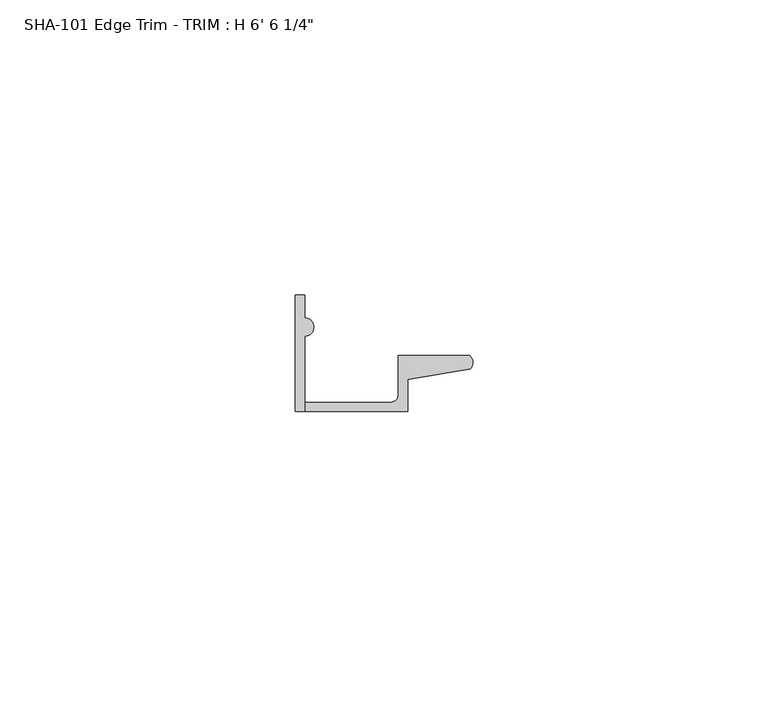
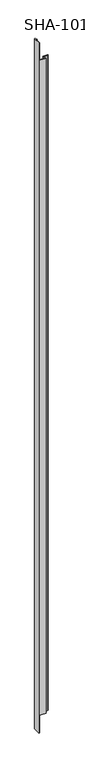
"""IFC4 building model written with IfcOpenShell, lengths in millimetres: proxy geometry."""

from ifc_helpers import new_model, si_unit, frame, origin, place, context, project, spatial, polyline, circle_curve, source, transform, mapped, element, save
from ifc_brep_helpers import plane_surface, cylinder_surface, revolved_surface, advanced_brep


def proxy_e3178697(model_context):
    return source(origin(), model_context, "Body", "AdvancedBrep", [
        advanced_brep(
        [(0.0, 0.0, 1987.55), (1.5748, 0.0, 1987.55), (1.5748, 12.7127, 1987.55), (1.5748, 15.8623, 1987.55), (1.5748, 19.7327081, 1987.55), (0.0, 19.7327081, 1987.55), (1.5748, 0.0, 0.0), (0.0, 0.0, 0.0), (0.0, 19.7327081, 0.0), (1.5748, 19.7327081, 0.0), (1.5748, 15.8623, 0.0), (1.5748, 12.7127, 0.0), (1.5748, 0.0, 50.8), (19.0246, 0.0, 50.8), (19.0246, 0.0, 1936.75), (1.5748, 0.0, 1936.75), (19.0246, 5.392657, 50.8), (19.0246, 5.392657, 1936.75), (29.6006869, 7.2036308, 50.8), (29.6006869, 7.2036308, 1936.75), (29.5346031, 9.525, 50.8), (29.5346031, 9.525, 1936.75), (17.4498, 9.525, 50.8), (17.4498, 9.525, 1936.75), (17.4498, 2.8448, 50.8), (17.4498, 2.8448, 1936.75), (16.1798, 1.5748, 50.8), (16.1798, 1.5748, 1936.75), (1.5748, 1.5748, 50.8), (1.5748, 1.5748, 1936.75)],
        [
            (0, 1),
            (1, 2),
            (2, 3, circle_curve(frame((1.5748, 14.2875, 1987.55), z_axis=(0.0, 0.0, 1.0), x_axis=(0.0, 1.0, 0.0)), 1.5748)),
            (3, 4),
            (4, 5),
            (5, 0),
            (6, 7),
            (7, 8),
            (8, 9),
            (9, 10),
            (10, 11, circle_curve(frame((1.5748, 14.2875, 0.0), z_axis=(0.0, 0.0, -1.0), x_axis=(0.0, 1.0, 0.0)), 1.5748)),
            (11, 6),
            (2, 11),
            (10, 3),
            (9, 4),
            (8, 5),
            (7, 0),
            (6, 12),
            (12, 13),
            (13, 14),
            (14, 15),
            (15, 1),
            (13, 16),
            (16, 17),
            (17, 14),
            (16, 18),
            (18, 19),
            (19, 17),
            (18, 20, circle_curve(frame((28.4438454, 8.3323235, 50.8), z_axis=(0.0, 0.0, 1.0), x_axis=(0.0, 1.0, 0.0)), 1.6162393)),
            (20, 21),
            (21, 19, circle_curve(frame((28.4438454, 8.3323235, 1936.75), z_axis=(0.0, 0.0, -1.0), x_axis=(0.0, 1.0, 0.0)), 1.6162393)),
            (20, 22),
            (22, 23),
            (23, 21),
            (22, 24),
            (24, 25),
            (25, 23),
            (24, 26, circle_curve(frame((16.1798, 2.8448, 50.8), z_axis=(0.0, 0.0, -1.0), x_axis=(0.0, 1.0, 0.0)), 1.27)),
            (26, 27),
            (27, 25, circle_curve(frame((16.1798, 2.8448, 1936.75), z_axis=(0.0, 0.0, 1.0), x_axis=(0.0, 1.0, 0.0)), 1.27)),
            (26, 28),
            (28, 29),
            (29, 27),
            (15, 29),
            (28, 12),
        ],
        [
            plane_surface(frame((1.5748, 12.7127, 1987.55), z_axis=(0.0, 0.0, 1.0), x_axis=(0.0, -1.0, 0.0))),
            plane_surface(frame((1.5748, 12.7127, 0.0), z_axis=(0.0, 0.0, -1.0), x_axis=(0.0, 1.0, 0.0))),
            cylinder_surface(frame((1.5748, 14.2875, 0.0), z_axis=(0.0, 0.0, 1.0), x_axis=(0.0, 1.0, 0.0)), 1.5748),
            plane_surface(frame((1.5748, 19.7327081, 1987.55), z_axis=(1.0, 0.0, 0.0), x_axis=(0.0, 0.0, -1.0))),
            plane_surface(frame((0.0, 19.7327081, 1987.55), z_axis=(0.0, 1.0, 0.0), x_axis=(0.0, 0.0, -1.0))),
            plane_surface(frame((0.0, 0.0, 1987.55), z_axis=(-1.0, 0.0, 0.0), x_axis=(0.0, 0.0, -1.0))),
            plane_surface(frame((19.0246, 0.0, 1987.55), z_axis=(0.0, -1.0, 0.0), x_axis=(0.0, 0.0, -1.0))),
            plane_surface(frame((19.0246, 5.392657, 1987.55), z_axis=(1.0, 0.0, 0.0), x_axis=(0.0, 0.0, -1.0))),
            plane_surface(frame((29.6006869, 7.2036308, 1987.55), z_axis=(0.168776431404418, -0.9856543593990694, 0.0), x_axis=(0.0, 0.0, -1.0))),
            cylinder_surface(frame((28.4438454, 8.3323235, 0.0), z_axis=(0.0, 0.0, 1.0), x_axis=(0.0, 1.0, 0.0)), 1.6162393),
            plane_surface(frame((17.4498, 9.525, 1987.55), z_axis=(0.0, 1.0, 0.0), x_axis=(0.0, 0.0, -1.0))),
            plane_surface(frame((17.4498, 2.8448, 1987.55), z_axis=(-1.0, 0.0, 0.0), x_axis=(0.0, 0.0, -1.0))),
            revolved_surface(polyline([(16.1798, 4.114800000000001, 50.8), (16.1798, 4.114800000000001, 1936.75)]), (16.1798, 2.8448, 0.0), (0.0, 0.0, -1.0)),
            plane_surface(frame((1.5748, 1.5748, 1987.55), z_axis=(0.0, 1.0, 0.0), x_axis=(0.0, 0.0, -1.0))),
            plane_surface(frame((1.5748, 12.7127, 1987.55), z_axis=(1.0, 0.0, 0.0), x_axis=(0.0, 0.0, -1.0))),
            plane_surface(frame((1.5748, 9.525, 1936.75), z_axis=(0.0, 0.0, 1.0), x_axis=(0.0, -1.0, 0.0))),
            plane_surface(frame((30.1393415, 9.525, 50.8), z_axis=(0.0, 0.0, -1.0), x_axis=(0.0, -1.0, 0.0))),
        ],
        [
            (0, [[1, 2, 3, 4, 5, 6]]),
            (1, [[7, 8, 9, 10, 11, 12]]),
            (2, [[13, -11, 14, -3]]),
            (3, [[-14, -10, 15, -4]]),
            (4, [[-15, -9, 16, -5]]),
            (5, [[-16, -8, 17, -6]]),
            (6, [[-7, 18, 19, 20, 21, 22, -1, -17]]),
            (7, [[23, 24, 25, -20]]),
            (8, [[26, 27, 28, -24]]),
            (9, [[29, 30, 31, -27]]),
            (10, [[32, 33, 34, -30]]),
            (11, [[35, 36, 37, -33]]),
            (12, [[38, 39, 40, -36]]),
            (13, [[41, 42, 43, -39]]),
            (14, [[-2, -22, 44, -42, 45, -18, -12, -13]]),
            (15, [[-21, -25, -28, -31, -34, -37, -40, -43, -44]]),
            (16, [[-41, -38, -35, -32, -29, -26, -23, -19, -45]]),
        ],
    ),
    ])


if __name__ == "__main__":
    model = new_model("IFC4")
    model_context = context("Model", 3, world=origin())
    ifc_project = project(units=[si_unit("LENGTHUNIT", "METRE", prefix="MILLI")], contexts=[model_context])
    site = spatial("IfcSite", under=ifc_project)
    building = spatial("IfcBuilding", under=site)
    placement = place(None, origin())
    proxy_shape = proxy_e3178697(model_context)
    element("IfcBuildingElementProxy", 1, Name="SHA-101 Edge Trim - TRIM : H 6' 6 1/4\"", ObjectType="SHA-101 Edge Trim - TRIM : H 6' 6 1/4\"", at=placement, inside=building, context=model_context, shape_type="MappedRepresentation", body=[
        mapped(proxy_shape, transform((0.0, 0.0, 0.0), x_axis=(1.0, 0.0, 0.0), y_axis=(0.0, 1.0, 0.0), z_axis=(0.0, 0.0, 1.0))),
    ])
    save(model, "model.ifc")
